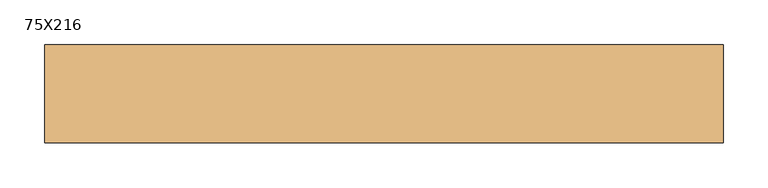
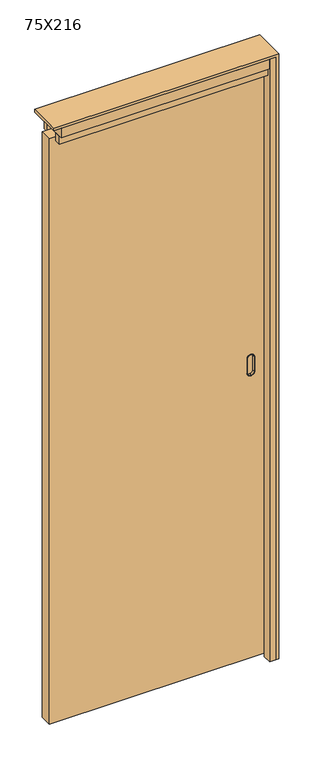
"""IFC4 building model written with IfcOpenShell, lengths in millimetres: door geometry, 75X216."""

from ifc_helpers import new_model, si_unit, point, frame, frame_2d, origin, origin_with_axes, place, context, project, spatial, polyline, circle_curve, trimmed, segment, composite_curve, outline, extrude, source, transform, mapped, element, save
from ifc_brep_helpers import plane_surface, cylinder_surface, revolved_surface, advanced_brep


def door_75x216_8c6824d5(model_context):
    return source(origin(), model_context, "Body", "SolidModel", [
        advanced_brep(
        [(309.5, -12.0, 1090.5), (310.5, -12.0, 1090.5), (321.5, -12.0, 1079.5), (321.5, -12.0, 1028.5), (310.5, -12.0, 1017.5), (309.5, -12.0, 1017.5), (298.5, -12.0, 1028.5), (298.5, -12.0, 1079.5), (309.5, -22.0, 1016.5), (310.5, -22.0, 1016.5), (322.5, -22.0, 1028.5), (322.5, -22.0, 1079.5), (310.5, -22.0, 1091.5), (309.5, -22.0, 1091.5), (297.5, -22.0, 1079.5), (297.5, -22.0, 1028.5), (309.5, -22.0, 1089.5), (310.5, -22.0, 1089.5), (320.5, -22.0, 1079.5), (320.5, -22.0, 1028.5), (310.5, -22.0, 1018.5), (309.5, -22.0, 1018.5), (299.5, -22.0, 1028.5), (299.5, -22.0, 1079.5), (298.5, -20.0, 1079.5), (309.5, -20.0, 1090.5), (298.5, -20.0, 1028.5), (309.5, -20.0, 1017.5), (310.5, -20.0, 1017.5), (321.5, -20.0, 1028.5), (321.5, -20.0, 1079.5), (310.5, -20.0, 1090.5), (309.5, -20.0, 1016.5), (297.5, -20.0, 1028.5), (297.5, -20.0, 1079.5), (309.5, -20.0, 1091.5), (310.5, -20.0, 1091.5), (322.5, -20.0, 1079.5), (322.5, -20.0, 1028.5), (310.5, -20.0, 1016.5), (309.5, -13.0, 1089.5), (299.5, -13.0, 1079.5), (299.5, -13.0, 1028.5), (309.5, -13.0, 1018.5), (310.5, -13.0, 1018.5), (320.5, -13.0, 1028.5), (320.5, -13.0, 1079.5), (310.5, -13.0, 1089.5)],
        [
            (0, 1),
            (1, 2, circle_curve(frame((310.5, -12.0, 1079.5), z_axis=(0.0, 1.0, 0.0), x_axis=(-1.0, 0.0, 0.0)), 11.0)),
            (2, 3),
            (3, 4, circle_curve(frame((310.5, -12.0, 1028.5), z_axis=(0.0, 1.0, 0.0), x_axis=(-1.0, 0.0, 0.0)), 11.0)),
            (4, 5),
            (5, 6, circle_curve(frame((309.5, -12.0, 1028.5), z_axis=(0.0, 1.0, 0.0), x_axis=(-1.0, 0.0, 0.0)), 11.0)),
            (6, 7),
            (7, 0, circle_curve(frame((309.5, -12.0, 1079.5), z_axis=(0.0, 1.0, 0.0), x_axis=(-1.0, 0.0, 0.0)), 11.0)),
            (8, 9),
            (9, 10, circle_curve(frame((310.5, -22.0, 1028.5), z_axis=(0.0, -1.0, 0.0), x_axis=(-1.0, 0.0, 0.0)), 12.0)),
            (10, 11),
            (11, 12, circle_curve(frame((310.5, -22.0, 1079.5), z_axis=(0.0, -1.0, 0.0), x_axis=(-1.0, 0.0, 0.0)), 12.0)),
            (12, 13),
            (13, 14, circle_curve(frame((309.5, -22.0, 1079.5), z_axis=(0.0, -1.0, 0.0), x_axis=(-1.0, 0.0, 0.0)), 12.0)),
            (14, 15),
            (15, 8, circle_curve(frame((309.5, -22.0, 1028.5), z_axis=(0.0, -1.0, 0.0), x_axis=(-1.0, 0.0, 0.0)), 12.0)),
            (16, 17),
            (17, 18, circle_curve(frame((310.5, -22.0, 1079.5), z_axis=(0.0, 1.0, 0.0), x_axis=(-1.0, 0.0, 0.0)), 10.0)),
            (18, 19),
            (19, 20, circle_curve(frame((310.5, -22.0, 1028.5), z_axis=(0.0, 1.0, 0.0), x_axis=(-1.0, 0.0, 0.0)), 10.0)),
            (20, 21),
            (21, 22, circle_curve(frame((309.5, -22.0, 1028.5), z_axis=(0.0, 1.0, 0.0), x_axis=(-1.0, 0.0, 0.0)), 10.0)),
            (22, 23),
            (23, 16, circle_curve(frame((309.5, -22.0, 1079.5), z_axis=(0.0, 1.0, 0.0), x_axis=(-1.0, 0.0, 0.0)), 10.0)),
            (7, 24),
            (24, 25, circle_curve(frame((309.5, -20.0, 1079.5), z_axis=(0.0, 1.0, 0.0), x_axis=(-1.0, 0.0, 0.0)), 11.0)),
            (25, 0),
            (6, 26),
            (26, 24),
            (5, 27),
            (27, 26, circle_curve(frame((309.5, -20.0, 1028.5), z_axis=(0.0, 1.0, 0.0), x_axis=(-1.0, 0.0, 0.0)), 11.0)),
            (4, 28),
            (28, 27),
            (3, 29),
            (29, 28, circle_curve(frame((310.5, -20.0, 1028.5), z_axis=(0.0, 1.0, 0.0), x_axis=(-1.0, 0.0, 0.0)), 11.0)),
            (2, 30),
            (30, 29),
            (1, 31),
            (31, 30, circle_curve(frame((310.5, -20.0, 1079.5), z_axis=(0.0, 1.0, 0.0), x_axis=(-1.0, 0.0, 0.0)), 11.0)),
            (25, 31),
            (32, 33, circle_curve(frame((309.5, -20.0, 1028.5), z_axis=(0.0, 1.0, 0.0), x_axis=(-1.0, 0.0, 0.0)), 12.0)),
            (33, 34),
            (34, 35, circle_curve(frame((309.5, -20.0, 1079.5), z_axis=(0.0, 1.0, 0.0), x_axis=(-1.0, 0.0, 0.0)), 12.0)),
            (35, 36),
            (36, 37, circle_curve(frame((310.5, -20.0, 1079.5), z_axis=(0.0, 1.0, 0.0), x_axis=(-1.0, 0.0, 0.0)), 12.0)),
            (37, 38),
            (38, 39, circle_curve(frame((310.5, -20.0, 1028.5), z_axis=(0.0, 1.0, 0.0), x_axis=(-1.0, 0.0, 0.0)), 12.0)),
            (39, 32),
            (39, 9),
            (8, 32),
            (38, 10),
            (37, 11),
            (36, 12),
            (35, 13),
            (34, 14),
            (33, 15),
            (40, 41, circle_curve(frame((309.5, -13.0, 1079.5), z_axis=(0.0, -1.0, 0.0), x_axis=(-1.0, 0.0, 0.0)), 10.0)),
            (41, 42),
            (42, 43, circle_curve(frame((309.5, -13.0, 1028.5), z_axis=(0.0, -1.0, 0.0), x_axis=(-1.0, 0.0, 0.0)), 10.0)),
            (43, 44),
            (44, 45, circle_curve(frame((310.5, -13.0, 1028.5), z_axis=(0.0, -1.0, 0.0), x_axis=(-1.0, 0.0, 0.0)), 10.0)),
            (45, 46),
            (46, 47, circle_curve(frame((310.5, -13.0, 1079.5), z_axis=(0.0, -1.0, 0.0), x_axis=(-1.0, 0.0, 0.0)), 10.0)),
            (47, 40),
            (40, 16),
            (23, 41),
            (22, 42),
            (21, 43),
            (20, 44),
            (19, 45),
            (18, 46),
            (17, 47),
        ],
        [
            plane_surface(frame((298.5, -12.0, 1079.5), z_axis=(0.0, 1.0, 0.0), x_axis=(0.0, 0.0, -1.0))),
            plane_surface(frame((298.5, -22.0, 1079.5), z_axis=(0.0, -1.0, 0.0), x_axis=(0.0, 0.0, 1.0))),
            cylinder_surface(frame((309.5, -22.0, 1079.5), z_axis=(0.0, 1.0, 0.0), x_axis=(-1.0, 0.0, 0.0)), 11.0),
            plane_surface(frame((298.5, -12.0, 1079.5), z_axis=(-1.0, 0.0, 0.0), x_axis=(0.0, -1.0, 0.0))),
            cylinder_surface(frame((309.5, -22.0, 1028.5), z_axis=(0.0, 1.0, 0.0), x_axis=(-1.0, 0.0, 0.0)), 11.0),
            plane_surface(frame((309.5, -12.0, 1017.5), z_axis=(0.0, 0.0, -1.0), x_axis=(0.0, -1.0, 0.0))),
            cylinder_surface(frame((310.5, -22.0, 1028.5), z_axis=(0.0, 1.0, 0.0), x_axis=(-1.0, 0.0, 0.0)), 11.0),
            plane_surface(frame((321.5, -12.0, 1028.5), z_axis=(1.0, 0.0, 0.0), x_axis=(0.0, -1.0, 0.0))),
            cylinder_surface(frame((310.5, -22.0, 1079.5), z_axis=(0.0, 1.0, 0.0), x_axis=(-1.0, 0.0, 0.0)), 11.0),
            plane_surface(frame((310.5, -12.0, 1090.5), z_axis=(0.0, 0.0, 1.0), x_axis=(0.0, -1.0, 0.0))),
            plane_surface(frame((322.5, -20.0, 1016.5), z_axis=(0.0, 1.0, 0.0), x_axis=(1.0, 0.0, 0.0))),
            plane_surface(frame((309.5, -20.0, 1016.5), z_axis=(0.0, 0.0, -1.0), x_axis=(0.0, -1.0, 0.0))),
            cylinder_surface(frame((310.5, -22.0, 1028.5), z_axis=(0.0, 1.0, 0.0), x_axis=(-1.0, 0.0, 0.0)), 12.0),
            plane_surface(frame((322.5, -20.0, 1028.5), z_axis=(1.0, 0.0, 0.0), x_axis=(0.0, -1.0, 0.0))),
            cylinder_surface(frame((310.5, -22.0, 1079.5), z_axis=(0.0, 1.0, 0.0), x_axis=(-1.0, 0.0, 0.0)), 12.0),
            plane_surface(frame((310.5, -20.0, 1091.5), z_axis=(0.0, 0.0, 1.0), x_axis=(0.0, -1.0, 0.0))),
            cylinder_surface(frame((309.5, -22.0, 1079.5), z_axis=(0.0, 1.0, 0.0), x_axis=(-1.0, 0.0, 0.0)), 12.0),
            plane_surface(frame((297.5, -20.0, 1079.5), z_axis=(-1.0, 0.0, 0.0), x_axis=(0.0, -1.0, 0.0))),
            cylinder_surface(frame((309.5, -22.0, 1028.5), z_axis=(0.0, 1.0, 0.0), x_axis=(-1.0, 0.0, 0.0)), 12.0),
            plane_surface(frame((299.5, -13.0, 1079.5), z_axis=(0.0, -1.0, 0.0), x_axis=(0.0, 0.0, -1.0))),
            revolved_surface(polyline([(299.5, -13.0, 1079.5), (299.5, -22.0, 1079.5)]), (309.5, -22.0, 1079.5), (0.0, 1.0, 0.0)),
            plane_surface(frame((299.5, -13.0, 1079.5), z_axis=(1.0, 0.0, 0.0), x_axis=(0.0, -1.0, 0.0))),
            revolved_surface(polyline([(299.5, -13.0, 1028.5), (299.5, -22.0, 1028.5)]), (309.5, -22.0, 1028.5), (0.0, 1.0, 0.0)),
            plane_surface(frame((309.5, -13.0, 1018.5), z_axis=(0.0, 0.0, 1.0), x_axis=(0.0, -1.0, 0.0))),
            revolved_surface(polyline([(300.5, -13.0, 1028.5), (300.5, -22.0, 1028.5)]), (310.5, -22.0, 1028.5), (0.0, 1.0, 0.0)),
            plane_surface(frame((320.5, -13.0, 1028.5), z_axis=(-1.0, 0.0, 0.0), x_axis=(0.0, -1.0, 0.0))),
            revolved_surface(polyline([(300.5, -13.0, 1079.5), (300.5, -22.0, 1079.5)]), (310.5, -22.0, 1079.5), (0.0, 1.0, 0.0)),
            plane_surface(frame((310.5, -13.0, 1089.5), z_axis=(0.0, 0.0, -1.0), x_axis=(0.0, -1.0, 0.0))),
        ],
        [
            (0, [[1, 2, 3, 4, 5, 6, 7, 8]]),
            (1, [[9, 10, 11, 12, 13, 14, 15, 16], [17, 18, 19, 20, 21, 22, 23, 24]]),
            (2, [[25, 26, 27, -8]]),
            (3, [[28, 29, -25, -7]]),
            (4, [[30, 31, -28, -6]]),
            (5, [[32, 33, -30, -5]]),
            (6, [[34, 35, -32, -4]]),
            (7, [[36, 37, -34, -3]]),
            (8, [[38, 39, -36, -2]]),
            (9, [[-27, 40, -38, -1]]),
            (10, [[41, 42, 43, 44, 45, 46, 47, 48], [-29, -31, -33, -35, -37, -39, -40, -26]]),
            (11, [[49, -9, 50, -48]]),
            (12, [[51, -10, -49, -47]]),
            (13, [[52, -11, -51, -46]]),
            (14, [[53, -12, -52, -45]]),
            (15, [[54, -13, -53, -44]]),
            (16, [[55, -14, -54, -43]]),
            (17, [[56, -15, -55, -42]]),
            (18, [[-50, -16, -56, -41]]),
            (19, [[57, 58, 59, 60, 61, 62, 63, 64]]),
            (20, [[65, -24, 66, -57]]),
            (21, [[-66, -23, 67, -58]]),
            (22, [[-67, -22, 68, -59]]),
            (23, [[-68, -21, 69, -60]]),
            (24, [[-69, -20, 70, -61]]),
            (25, [[-70, -19, 71, -62]]),
            (26, [[-71, -18, 72, -63]]),
            (27, [[-72, -17, -65, -64]]),
        ],
    ),
        advanced_brep(
        [(309.5, 12.0, 1090.5), (298.5, 12.0, 1079.5), (298.5, 12.0, 1028.5), (309.5, 12.0, 1017.5), (310.5, 12.0, 1017.5), (321.5, 12.0, 1028.5), (321.5, 12.0, 1079.5), (310.5, 12.0, 1090.5), (309.5, 22.0, 1016.5), (297.5, 22.0, 1028.5), (297.5, 22.0, 1079.5), (309.5, 22.0, 1091.5), (310.5, 22.0, 1091.5), (322.5, 22.0, 1079.5), (322.5, 22.0, 1028.5), (310.5, 22.0, 1016.5), (309.5, 22.0, 1089.5), (299.5, 22.0, 1079.5), (299.5, 22.0, 1028.5), (309.5, 22.0, 1018.5), (310.5, 22.0, 1018.5), (320.5, 22.0, 1028.5), (320.5, 22.0, 1079.5), (310.5, 22.0, 1089.5), (309.5, 20.0, 1090.5), (298.5, 20.0, 1079.5), (298.5, 20.0, 1028.5), (309.5, 20.0, 1017.5), (310.5, 20.0, 1017.5), (321.5, 20.0, 1028.5), (321.5, 20.0, 1079.5), (310.5, 20.0, 1090.5), (309.5, 20.0, 1016.5), (310.5, 20.0, 1016.5), (322.5, 20.0, 1028.5), (322.5, 20.0, 1079.5), (310.5, 20.0, 1091.5), (309.5, 20.0, 1091.5), (297.5, 20.0, 1079.5), (297.5, 20.0, 1028.5), (309.5, 13.0, 1089.5), (310.5, 13.0, 1089.5), (320.5, 13.0, 1079.5), (320.5, 13.0, 1028.5), (310.5, 13.0, 1018.5), (309.5, 13.0, 1018.5), (299.5, 13.0, 1028.5), (299.5, 13.0, 1079.5)],
        [
            (0, 1, circle_curve(frame((309.5, 12.0, 1079.5), z_axis=(0.0, -1.0, 0.0), x_axis=(-1.0, 0.0, 0.0)), 11.0)),
            (1, 2),
            (2, 3, circle_curve(frame((309.5, 12.0, 1028.5), z_axis=(0.0, -1.0, 0.0), x_axis=(-1.0, 0.0, 0.0)), 11.0)),
            (3, 4),
            (4, 5, circle_curve(frame((310.5, 12.0, 1028.5), z_axis=(0.0, -1.0, 0.0), x_axis=(-1.0, 0.0, 0.0)), 11.0)),
            (5, 6),
            (6, 7, circle_curve(frame((310.5, 12.0, 1079.5), z_axis=(0.0, -1.0, 0.0), x_axis=(-1.0, 0.0, 0.0)), 11.0)),
            (7, 0),
            (8, 9, circle_curve(frame((309.5, 22.0, 1028.5), z_axis=(0.0, 1.0, 0.0), x_axis=(-1.0, 0.0, 0.0)), 12.0)),
            (9, 10),
            (10, 11, circle_curve(frame((309.5, 22.0, 1079.5), z_axis=(0.0, 1.0, 0.0), x_axis=(-1.0, 0.0, 0.0)), 12.0)),
            (11, 12),
            (12, 13, circle_curve(frame((310.5, 22.0, 1079.5), z_axis=(0.0, 1.0, 0.0), x_axis=(-1.0, 0.0, 0.0)), 12.0)),
            (13, 14),
            (14, 15, circle_curve(frame((310.5, 22.0, 1028.5), z_axis=(0.0, 1.0, 0.0), x_axis=(-1.0, 0.0, 0.0)), 12.0)),
            (15, 8),
            (16, 17, circle_curve(frame((309.5, 22.0, 1079.5), z_axis=(0.0, -1.0, 0.0), x_axis=(-1.0, 0.0, 0.0)), 10.0)),
            (17, 18),
            (18, 19, circle_curve(frame((309.5, 22.0, 1028.5), z_axis=(0.0, -1.0, 0.0), x_axis=(-1.0, 0.0, 0.0)), 10.0)),
            (19, 20),
            (20, 21, circle_curve(frame((310.5, 22.0, 1028.5), z_axis=(0.0, -1.0, 0.0), x_axis=(-1.0, 0.0, 0.0)), 10.0)),
            (21, 22),
            (22, 23, circle_curve(frame((310.5, 22.0, 1079.5), z_axis=(0.0, -1.0, 0.0), x_axis=(-1.0, 0.0, 0.0)), 10.0)),
            (23, 16),
            (0, 24),
            (24, 25, circle_curve(frame((309.5, 20.0, 1079.5), z_axis=(0.0, -1.0, 0.0), x_axis=(-1.0, 0.0, 0.0)), 11.0)),
            (25, 1),
            (25, 26),
            (26, 2),
            (26, 27, circle_curve(frame((309.5, 20.0, 1028.5), z_axis=(0.0, -1.0, 0.0), x_axis=(-1.0, 0.0, 0.0)), 11.0)),
            (27, 3),
            (27, 28),
            (28, 4),
            (28, 29, circle_curve(frame((310.5, 20.0, 1028.5), z_axis=(0.0, -1.0, 0.0), x_axis=(-1.0, 0.0, 0.0)), 11.0)),
            (29, 5),
            (29, 30),
            (30, 6),
            (30, 31, circle_curve(frame((310.5, 20.0, 1079.5), z_axis=(0.0, -1.0, 0.0), x_axis=(-1.0, 0.0, 0.0)), 11.0)),
            (31, 7),
            (31, 24),
            (32, 33),
            (33, 34, circle_curve(frame((310.5, 20.0, 1028.5), z_axis=(0.0, -1.0, 0.0), x_axis=(-1.0, 0.0, 0.0)), 12.0)),
            (34, 35),
            (35, 36, circle_curve(frame((310.5, 20.0, 1079.5), z_axis=(0.0, -1.0, 0.0), x_axis=(-1.0, 0.0, 0.0)), 12.0)),
            (36, 37),
            (37, 38, circle_curve(frame((309.5, 20.0, 1079.5), z_axis=(0.0, -1.0, 0.0), x_axis=(-1.0, 0.0, 0.0)), 12.0)),
            (38, 39),
            (39, 32, circle_curve(frame((309.5, 20.0, 1028.5), z_axis=(0.0, -1.0, 0.0), x_axis=(-1.0, 0.0, 0.0)), 12.0)),
            (32, 8),
            (15, 33),
            (14, 34),
            (13, 35),
            (12, 36),
            (11, 37),
            (10, 38),
            (9, 39),
            (40, 41),
            (41, 42, circle_curve(frame((310.5, 13.0, 1079.5), z_axis=(0.0, 1.0, 0.0), x_axis=(-1.0, 0.0, 0.0)), 10.0)),
            (42, 43),
            (43, 44, circle_curve(frame((310.5, 13.0, 1028.5), z_axis=(0.0, 1.0, 0.0), x_axis=(-1.0, 0.0, 0.0)), 10.0)),
            (44, 45),
            (45, 46, circle_curve(frame((309.5, 13.0, 1028.5), z_axis=(0.0, 1.0, 0.0), x_axis=(-1.0, 0.0, 0.0)), 10.0)),
            (46, 47),
            (47, 40, circle_curve(frame((309.5, 13.0, 1079.5), z_axis=(0.0, 1.0, 0.0), x_axis=(-1.0, 0.0, 0.0)), 10.0)),
            (47, 17),
            (16, 40),
            (46, 18),
            (45, 19),
            (44, 20),
            (43, 21),
            (42, 22),
            (41, 23),
        ],
        [
            plane_surface(frame((298.5, 12.0, 1079.5), z_axis=(0.0, -1.0, 0.0), x_axis=(0.0, 0.0, -1.0))),
            plane_surface(frame((298.5, 22.0, 1079.5), z_axis=(0.0, 1.0, 0.0), x_axis=(0.0, 0.0, 1.0))),
            cylinder_surface(frame((309.5, 22.0, 1079.5), z_axis=(0.0, -1.0, 0.0), x_axis=(-1.0, 0.0, 0.0)), 11.0),
            plane_surface(frame((298.5, 12.0, 1079.5), z_axis=(-1.0, 0.0, 0.0), x_axis=(0.0, 1.0, 0.0))),
            cylinder_surface(frame((309.5, 22.0, 1028.5), z_axis=(0.0, -1.0, 0.0), x_axis=(-1.0, 0.0, 0.0)), 11.0),
            plane_surface(frame((309.5, 12.0, 1017.5), z_axis=(0.0, 0.0, -1.0), x_axis=(0.0, 1.0, 0.0))),
            cylinder_surface(frame((310.5, 22.0, 1028.5), z_axis=(0.0, -1.0, 0.0), x_axis=(-1.0, 0.0, 0.0)), 11.0),
            plane_surface(frame((321.5, 12.0, 1028.5), z_axis=(1.0, 0.0, 0.0), x_axis=(0.0, 1.0, 0.0))),
            cylinder_surface(frame((310.5, 22.0, 1079.5), z_axis=(0.0, -1.0, 0.0), x_axis=(-1.0, 0.0, 0.0)), 11.0),
            plane_surface(frame((310.5, 12.0, 1090.5), z_axis=(0.0, 0.0, 1.0), x_axis=(0.0, 1.0, 0.0))),
            plane_surface(frame((322.5, 20.0, 1016.5), z_axis=(0.0, -1.0, 0.0), x_axis=(1.0, 0.0, 0.0))),
            plane_surface(frame((309.5, 20.0, 1016.5), z_axis=(0.0, 0.0, -1.0), x_axis=(0.0, 1.0, 0.0))),
            cylinder_surface(frame((310.5, 22.0, 1028.5), z_axis=(0.0, -1.0, 0.0), x_axis=(-1.0, 0.0, 0.0)), 12.0),
            plane_surface(frame((322.5, 20.0, 1028.5), z_axis=(1.0, 0.0, 0.0), x_axis=(0.0, 1.0, 0.0))),
            cylinder_surface(frame((310.5, 22.0, 1079.5), z_axis=(0.0, -1.0, 0.0), x_axis=(-1.0, 0.0, 0.0)), 12.0),
            plane_surface(frame((310.5, 20.0, 1091.5), z_axis=(0.0, 0.0, 1.0), x_axis=(0.0, 1.0, 0.0))),
            cylinder_surface(frame((309.5, 22.0, 1079.5), z_axis=(0.0, -1.0, 0.0), x_axis=(-1.0, 0.0, 0.0)), 12.0),
            plane_surface(frame((297.5, 20.0, 1079.5), z_axis=(-1.0, 0.0, 0.0), x_axis=(0.0, 1.0, 0.0))),
            cylinder_surface(frame((309.5, 22.0, 1028.5), z_axis=(0.0, -1.0, 0.0), x_axis=(-1.0, 0.0, 0.0)), 12.0),
            plane_surface(frame((299.5, 13.0, 1079.5), z_axis=(0.0, 1.0, 0.0), x_axis=(0.0, 0.0, -1.0))),
            revolved_surface(polyline([(299.5, 13.0, 1079.5), (299.5, 22.0, 1079.5)]), (309.5, 22.0, 1079.5), (0.0, -1.0, 0.0)),
            plane_surface(frame((299.5, 13.0, 1079.5), z_axis=(1.0, 0.0, 0.0), x_axis=(0.0, 1.0, 0.0))),
            revolved_surface(polyline([(299.5, 13.0, 1028.5), (299.5, 22.0, 1028.5)]), (309.5, 22.0, 1028.5), (0.0, -1.0, 0.0)),
            plane_surface(frame((309.5, 13.0, 1018.5), z_axis=(0.0, 0.0, 1.0), x_axis=(0.0, 1.0, 0.0))),
            revolved_surface(polyline([(300.5, 13.0, 1028.5), (300.5, 22.0, 1028.5)]), (310.5, 22.0, 1028.5), (0.0, -1.0, 0.0)),
            plane_surface(frame((320.5, 13.0, 1028.5), z_axis=(-1.0, 0.0, 0.0), x_axis=(0.0, 1.0, 0.0))),
            revolved_surface(polyline([(300.5, 13.0, 1079.5), (300.5, 22.0, 1079.5)]), (310.5, 22.0, 1079.5), (0.0, -1.0, 0.0)),
            plane_surface(frame((310.5, 13.0, 1089.5), z_axis=(0.0, 0.0, -1.0), x_axis=(0.0, 1.0, 0.0))),
        ],
        [
            (0, [[1, 2, 3, 4, 5, 6, 7, 8]]),
            (1, [[9, 10, 11, 12, 13, 14, 15, 16], [17, 18, 19, 20, 21, 22, 23, 24]]),
            (2, [[-1, 25, 26, 27]]),
            (3, [[-2, -27, 28, 29]]),
            (4, [[-3, -29, 30, 31]]),
            (5, [[-4, -31, 32, 33]]),
            (6, [[-5, -33, 34, 35]]),
            (7, [[-6, -35, 36, 37]]),
            (8, [[-7, -37, 38, 39]]),
            (9, [[-8, -39, 40, -25]]),
            (10, [[41, 42, 43, 44, 45, 46, 47, 48], [-26, -40, -38, -36, -34, -32, -30, -28]]),
            (11, [[-41, 49, -16, 50]]),
            (12, [[-42, -50, -15, 51]]),
            (13, [[-43, -51, -14, 52]]),
            (14, [[-44, -52, -13, 53]]),
            (15, [[-45, -53, -12, 54]]),
            (16, [[-46, -54, -11, 55]]),
            (17, [[-47, -55, -10, 56]]),
            (18, [[-48, -56, -9, -49]]),
            (19, [[57, 58, 59, 60, 61, 62, 63, 64]]),
            (20, [[-64, 65, -17, 66]]),
            (21, [[-63, 67, -18, -65]]),
            (22, [[-62, 68, -19, -67]]),
            (23, [[-61, 69, -20, -68]]),
            (24, [[-60, 70, -21, -69]]),
            (25, [[-59, 71, -22, -70]]),
            (26, [[-58, 72, -23, -71]]),
            (27, [[-57, -66, -24, -72]]),
        ],
    ),
        extrude(outline(polyline([(2099.0, -370.0), (9.0, -370.0), (9.0, 360.0), (2099.0, 360.0), (2099.0, -370.0)]), holes=[composite_curve([segment(trimmed(circle_curve(frame_2d((1080.0, 309.0)), 10.0), [point((1080.0, 299.0))], [point((1090.0, 309.0))], True, "CARTESIAN"), True, "CONTINUOUS"), segment(polyline([(1090.0, 309.0), (1090.0, 311.0)]), True, "CONTINUOUS"), segment(trimmed(circle_curve(frame_2d((1080.0, 311.0)), 10.0), [point((1090.0, 311.0))], [point((1080.0, 321.0))], True, "CARTESIAN"), True, "CONTINUOUS"), segment(polyline([(1080.0, 321.0), (1028.0, 321.0)]), True, "CONTINUOUS"), segment(trimmed(circle_curve(frame_2d((1028.0, 311.0)), 10.0), [point((1028.0, 321.0))], [point((1018.0, 311.0))], True, "CARTESIAN"), True, "CONTINUOUS"), segment(polyline([(1018.0, 311.0), (1018.0, 309.0)]), True, "CONTINUOUS"), segment(trimmed(circle_curve(frame_2d((1028.0, 309.0)), 10.0), [point((1018.0, 309.0))], [point((1028.0, 299.0))], True, "CARTESIAN"), True, "CONTINUOUS"), segment(polyline([(1028.0, 299.0), (1080.0, 299.0)]), True, "CONTINUOUS")], self_intersect=False)]), frame((0.0, -20.0, 0.0), z_axis=(0.0, 1.0, 0.0), x_axis=(0.0, 0.0, 1.0)), (0.0, 0.0, 1.0), 40.0),
        extrude(outline(polyline([(375.0, -55.0), (354.0, -55.0), (354.0, -25.0), (360.0, -25.0), (360.0, 25.0), (354.0, 25.0), (354.0, 55.0), (375.0, 55.0), (375.0, -55.0)])), origin_with_axes(), (0.0, 0.0, 1.0), 2150.0),
        extrude(outline(polyline([(2160.0, -375.0), (2150.0, -375.0), (2150.0, 375.0), (0.0, 375.0), (0.0, 385.0), (2160.0, 385.0), (2160.0, -375.0)])), frame((0.0, -55.0, 0.0), z_axis=(0.0, 1.0, 0.0), x_axis=(0.0, 0.0, 1.0)), (0.0, 0.0, 1.0), 110.0),
        extrude(outline(polyline([(354.0, -25.0), (354.0, -45.0), (-350.0, -45.0), (-350.0, -25.0), (354.0, -25.0)])), frame((0.0, 0.0, 2088.0), z_axis=(0.0, 0.0, 1.0), x_axis=(1.0, 0.0, 0.0)), (0.0, 0.0, 1.0), 28.0),
        extrude(outline(polyline([(354.0, 45.0), (354.0, 25.0), (-350.0, 25.0), (-350.0, 45.0), (354.0, 45.0)])), frame((0.0, 0.0, 2088.0), z_axis=(0.0, 0.0, 1.0), x_axis=(1.0, 0.0, 0.0)), (0.0, 0.0, 1.0), 28.0),
        extrude(outline(polyline([(354.0, -16.0), (354.0, -55.0), (-350.0, -55.0), (-350.0, -16.0), (354.0, -16.0)])), frame((0.0, 0.0, 2116.0), z_axis=(0.0, 0.0, 1.0), x_axis=(1.0, 0.0, 0.0)), (0.0, 0.0, 1.0), 34.0),
        extrude(outline(polyline([(354.0, 55.0), (354.0, 16.0), (-350.0, 16.0), (-350.0, 55.0), (354.0, 55.0)])), frame((0.0, 0.0, 2116.0), z_axis=(0.0, 0.0, 1.0), x_axis=(1.0, 0.0, 0.0)), (0.0, 0.0, 1.0), 34.0),
    ])


if __name__ == "__main__":
    model = new_model("IFC4")
    model_context = context("Model", 3, world=origin())
    ifc_project = project(units=[si_unit("LENGTHUNIT", "METRE", prefix="MILLI")], contexts=[model_context])
    site = spatial("IfcSite", under=ifc_project)
    building = spatial("IfcBuilding", under=site)
    placement = place(None, origin())
    door_75x216_shape = door_75x216_8c6824d5(model_context)
    element("IfcDoor", 1, ObjectType="75X216", at=placement, inside=building, context=model_context, shape_type="MappedRepresentation", body=[
        mapped(door_75x216_shape, transform((0.0, 0.0, 0.0), x_axis=(1.0, 0.0, 0.0), y_axis=(0.0, 1.0, 0.0), z_axis=(0.0, 0.0, 1.0))),
    ])
    save(model, "model.ifc")
